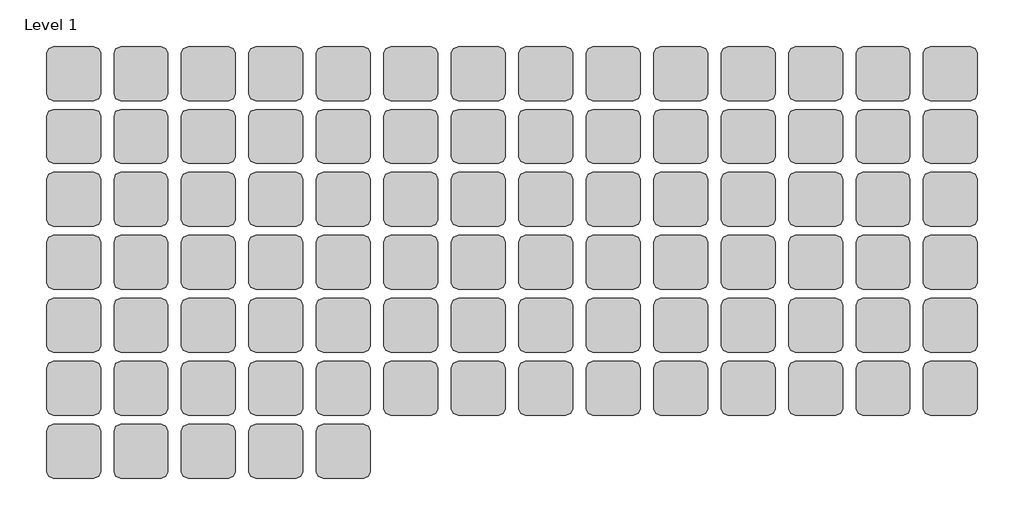
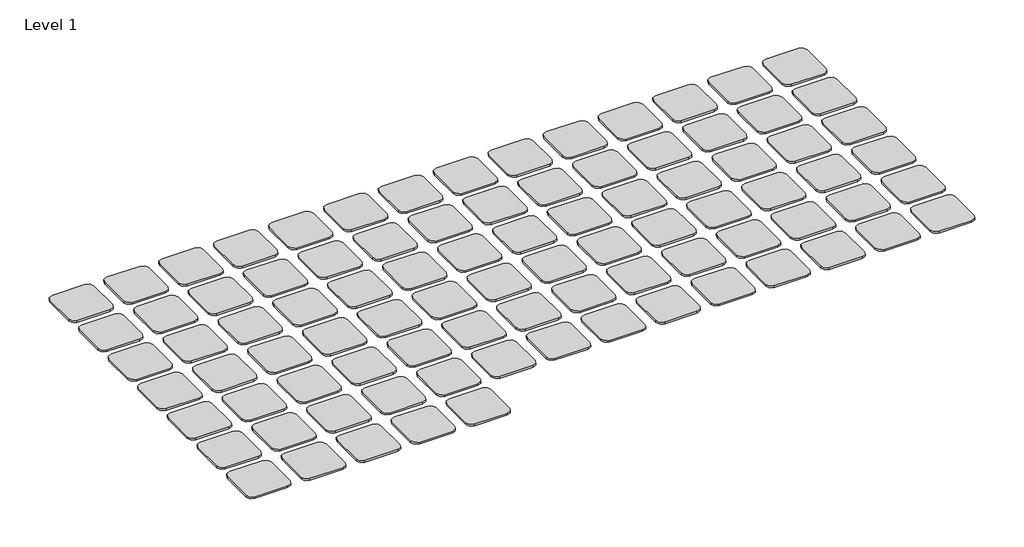
# One storey: 89 proxies.
"""IFC4 building model written with IfcOpenShell, lengths in millimetres."""

import ifcopenshell
import ifcopenshell.guid

model = None  # the IFC model being written
_history = None  # IfcOwnerHistory: only IFC2X3 demands one
_inside = {}  # id of a spatial element -> (the spatial element, [elements in it])
_under = {}  # id of a project, library or spatial element -> (it, [spatial elements below it])
_declared = {}  # id of a project -> (the project, [libraries it declares])
_typed = {}  # id of a type object -> (the type object, [elements of that type])
_made_of = {}  # id of a material, layer set ... -> (it, [elements and type objects made of it])


def new_model(schema):
    """Start an empty IFC model of exactly this schema.

    Asked for "IFC4X3", IfcOpenShell would pick the latest addendum, in which some entities
    have other attributes; the version numbers below select the first issue.
    IFC2X3 requires an IfcOwnerHistory on every rooted entity: one is made here for all.
    """
    global model, _history
    if schema == "IFC4X3":
        model = ifcopenshell.file(schema_version=(4, 3, 0, 0))
    else:
        model = ifcopenshell.file(schema=schema)
    _inside.clear()
    _under.clear()
    _declared.clear()
    _typed.clear()
    _made_of.clear()
    _history = None
    if model.schema == "IFC2X3":
        org = make("IfcOrganization", Name="unknown")
        user = make(
            "IfcPersonAndOrganization",
            ThePerson=make("IfcPerson", FamilyName="unknown"),
            TheOrganization=org,
        )
        app = make(
            "IfcApplication",
            ApplicationDeveloper=org,
            Version="unknown",
            ApplicationFullName="unknown",
            ApplicationIdentifier="unknown",
        )
        _history = make(
            "IfcOwnerHistory",
            OwningUser=user,
            OwningApplication=app,
            ChangeAction="ADDED",
            CreationDate=0,
        )
    return model


def make(cls, **values):
    """One entity of the class cls with the attributes given. An attribute that is None is left unset."""
    return model.create_entity(
        cls, **{name: value for name, value in values.items() if value is not None}
    )


def rooted(cls, **values):
    """An entity with a GlobalId (a new one), such as an element, a storey or a relation."""
    return make(cls, GlobalId=ifcopenshell.guid.new(), OwnerHistory=_history, **values)


def si_unit(unit_type, name, prefix=None):
    """IfcSIUnit, for example si_unit("LENGTHUNIT", "METRE", prefix="MILLI")."""
    return make("IfcSIUnit", UnitType=unit_type, Prefix=prefix, Name=name)


def assignment(units):
    """IfcUnitAssignment: the units of a project."""
    return None if units is None else make("IfcUnitAssignment", Units=units)


def point(xyz):
    """IfcCartesianPoint."""
    return None if xyz is None else make("IfcCartesianPoint", Coordinates=xyz)


def direction(xyz):
    """IfcDirection."""
    return None if xyz is None else make("IfcDirection", DirectionRatios=xyz)


def frame(location, z_axis=None, x_axis=None):
    """IfcAxis2Placement3D, a coordinate frame: its origin and axes. An axis left out is left unset."""
    return make(
        "IfcAxis2Placement3D",
        Location=point(location),
        Axis=direction(z_axis),
        RefDirection=direction(x_axis),
    )


def frame_2d(location, x_axis=None):
    """IfcAxis2Placement2D, a coordinate frame in the plane: its origin and x axis."""
    return make(
        "IfcAxis2Placement2D", Location=point(location), RefDirection=direction(x_axis)
    )


def origin():
    """The frame at (0, 0, 0) with its axes left unset."""
    return frame((0.0, 0.0, 0.0))


def origin_with_axes():
    """The frame at (0, 0, 0) with the z axis (0, 0, 1) and the x axis (1, 0, 0) written out."""
    return frame((0.0, 0.0, 0.0), z_axis=(0.0, 0.0, 1.0), x_axis=(1.0, 0.0, 0.0))


def place(relative_to, where):
    """IfcLocalPlacement: puts the frame where relative to a parent placement (None: the world)."""
    return make(
        "IfcLocalPlacement", PlacementRelTo=relative_to, RelativePlacement=where
    )


def context(
    kind, dimensions, precision=None, world=None, true_north=None, identifier=None
):
    """IfcGeometricRepresentationContext, for example the 3D "Model" context."""
    return make(
        "IfcGeometricRepresentationContext",
        ContextIdentifier=identifier,
        ContextType=kind,
        CoordinateSpaceDimension=dimensions,
        Precision=precision,
        WorldCoordinateSystem=world,
        TrueNorth=true_north,
    )


def project(units=None, contexts=None):
    """IfcProject with its units and contexts."""
    return rooted(
        "IfcProject",
        Name="project",
        RepresentationContexts=contexts,
        UnitsInContext=assignment(units),
    )


def spatial(cls, under=None, at=None, **own):
    """A site, building, storey or space (cls), placed at a placement, below another one or the project."""
    s = rooted(cls, ObjectPlacement=at, **own)
    if under is not None:
        _under.setdefault(under.id(), (under, []))[1].append(s)
    return s


def polyline(points):
    """IfcPolyline through the points."""
    return make("IfcPolyline", Points=[point(p) for p in points])


def circle_curve(where, radius):
    """IfcCircle in the frame where."""
    return make("IfcCircle", Position=where, Radius=radius)


def trimmed(basis, trim1, trim2, sense, master):
    """IfcTrimmedCurve: the piece of a basis curve between two trims."""
    return make(
        "IfcTrimmedCurve",
        BasisCurve=basis,
        Trim1=trim1,
        Trim2=trim2,
        SenseAgreement=sense,
        MasterRepresentation=master,
    )


def segment(curve, same_sense, transition):
    """IfcCompositeCurveSegment."""
    return make(
        "IfcCompositeCurveSegment",
        Transition=transition,
        SameSense=same_sense,
        ParentCurve=curve,
    )


def composite_curve(segments, self_intersect=None):
    """IfcCompositeCurve: segments joined end to end."""
    return make("IfcCompositeCurve", Segments=segments, SelfIntersect=self_intersect)


def outline(outer, holes=None, kind="AREA"):
    """IfcArbitraryClosedProfileDef: a profile drawn as a closed curve; with holes, ...WithVoids."""
    if holes is None:
        return make("IfcArbitraryClosedProfileDef", ProfileType=kind, OuterCurve=outer)
    return make(
        "IfcArbitraryProfileDefWithVoids",
        ProfileType=kind,
        OuterCurve=outer,
        InnerCurves=holes,
    )


def extrude(swept, where, along, depth):
    """IfcExtrudedAreaSolid: the profile swept, set in the frame where, extruded along a direction by depth."""
    return make(
        "IfcExtrudedAreaSolid",
        SweptArea=swept,
        Position=where,
        ExtrudedDirection=direction(along),
        Depth=depth,
    )


def shape(context_of_items, identifier, shape_type, items):
    """IfcShapeRepresentation: the items that make up one representation, for example the "Body"."""
    return make(
        "IfcShapeRepresentation",
        ContextOfItems=context_of_items,
        RepresentationIdentifier=identifier,
        RepresentationType=shape_type,
        Items=items,
    )


def source(mapping_origin, context_of_items, identifier, shape_type, items):
    """IfcRepresentationMap: a shape defined once, which mapped items show again and again."""
    return make(
        "IfcRepresentationMap",
        MappingOrigin=mapping_origin,
        MappedRepresentation=shape(context_of_items, identifier, shape_type, items),
    )


def transform(
    local_origin,
    x_axis=None,
    y_axis=None,
    z_axis=None,
    scale=None,
    scale2=None,
    scale3=None,
    uniform=True,
):
    """IfcCartesianTransformationOperator3D, or its non-uniform kind. x_axis, y_axis, z_axis: its Axis1, 2, 3."""
    if uniform:
        return make(
            "IfcCartesianTransformationOperator3D",
            Axis1=direction(x_axis),
            Axis2=direction(y_axis),
            LocalOrigin=point(local_origin),
            Scale=scale,
            Axis3=direction(z_axis),
        )
    return make(
        "IfcCartesianTransformationOperator3DnonUniform",
        Axis1=direction(x_axis),
        Axis2=direction(y_axis),
        LocalOrigin=point(local_origin),
        Scale=scale,
        Axis3=direction(z_axis),
        Scale2=scale2,
        Scale3=scale3,
    )


def mapped(mapping_source, mapping_target):
    """IfcMappedItem: shows the shape of a source again, moved by a transform."""
    return make(
        "IfcMappedItem", MappingSource=mapping_source, MappingTarget=mapping_target
    )


def made_of(thing, what):
    """Note that an element or type object is made of a material, layer set ...; save() writes the relation."""
    if what is not None:
        _made_of.setdefault(what.id(), (what, []))[1].append(thing)
    return thing


def element(
    cls,
    number,
    at=None,
    inside=None,
    cuts=None,
    type_object=None,
    material=None,
    context=None,
    identifier="Body",
    shape_type=None,
    held_by="IfcProductDefinitionShape",
    body=None,
    shapes=None,
    **own,
):
    """One element of the class cls, such as IfcWall. Its Tag is "e" and its number.

    at: its placement. inside: the storey or other place that contains it. cuts: it is an
    opening in that element (IfcRelVoidsElement). A single representation is given by context,
    identifier, shape_type and body (its items); several are given by shapes. held_by: the class
    of the entity that holds the representations. save() writes the other relations.
    """
    e = rooted(cls, Tag="e%d" % number, ObjectPlacement=at, **own)
    if body is not None:
        shapes = [shape(context, identifier, shape_type, body)]
    if shapes is not None:
        e.Representation = make(held_by, Representations=shapes)
    if inside is not None:
        _inside.setdefault(inside.id(), (inside, []))[1].append(e)
    if cuts is not None:
        rooted(
            "IfcRelVoidsElement", RelatingBuildingElement=cuts, RelatedOpeningElement=e
        )
    if type_object is not None:
        _typed.setdefault(type_object.id(), (type_object, []))[1].append(e)
    return made_of(e, material)


def aggregate(whole, parts):
    """IfcRelAggregates: a whole, such as a stair, and the parts it consists of."""
    return rooted("IfcRelAggregates", RelatingObject=whole, RelatedObjects=parts)


def save(model, path):
    """Write the relations noted so far, then the file.

    IfcRelAggregates (storeys below a building ...), IfcRelContainedInSpatialStructure (elements
    in a storey), IfcRelDefinesByType, IfcRelAssociatesMaterial and IfcRelDeclares: one each for
    every whole, place, type object, material and project.
    """
    for whole, parts in _under.values():
        aggregate(whole, parts)
    for where, things in _inside.values():
        rooted(
            "IfcRelContainedInSpatialStructure",
            RelatedElements=things,
            RelatingStructure=where,
        )
    for kind, things in _typed.values():
        rooted("IfcRelDefinesByType", RelatedObjects=things, RelatingType=kind)
    for what, things in _made_of.values():
        rooted("IfcRelAssociatesMaterial", RelatedObjects=things, RelatingMaterial=what)
    for by, libraries in _declared.values():
        rooted("IfcRelDeclares", RelatingContext=by, RelatedDefinitions=libraries)
    model.write(path)


def materialsample_type_1_9638d12c(model_context):
    return source(origin(), model_context, "Body", "SweptSolid", [
        extrude(outline(composite_curve([segment(polyline([(533.4, 0.0), (76.2, 0.0)]), True, "CONTINUOUS"), segment(trimmed(circle_curve(frame_2d((76.2, 76.2)), 76.2), [point((76.2, 0.0))], [point((0.0, 76.2))], False, "CARTESIAN"), True, "CONTINUOUS"), segment(polyline([(0.0, 76.2), (0.0, 533.4)]), True, "CONTINUOUS"), segment(trimmed(circle_curve(frame_2d((76.2, 533.4)), 76.2), [point((0.0, 533.4))], [point((76.2, 609.6))], False, "CARTESIAN"), True, "CONTINUOUS"), segment(polyline([(76.2, 609.6), (533.4, 609.6)]), True, "CONTINUOUS"), segment(trimmed(circle_curve(frame_2d((533.4, 533.4)), 76.2), [point((533.4, 609.6))], [point((609.6, 533.4))], False, "CARTESIAN"), True, "CONTINUOUS"), segment(polyline([(609.6, 533.4), (609.6, 76.2)]), True, "CONTINUOUS"), segment(trimmed(circle_curve(frame_2d((533.4, 76.2)), 76.2), [point((609.6, 76.2))], [point((533.4, 0.0))], False, "CARTESIAN"), True, "CONTINUOUS")], self_intersect=False)), origin_with_axes(), (0.0, 0.0, 1.0), 25.4),
    ])


model = new_model("IFC4")

# Units and contexts
model_context = context("Model", 3, world=origin())
ifc_project = project(units=[si_unit("LENGTHUNIT", "METRE", prefix="MILLI")], contexts=[model_context])

# Site, building, storey
site = spatial("IfcSite", under=ifc_project)
building = spatial("IfcBuilding", under=site)
storey = spatial("IfcBuildingStorey", under=building, Name="Level 1", Elevation=0.0)

# Proxies
placement = place(None, origin())
materialsample_type_1_shape = materialsample_type_1_9638d12c(model_context)
element("IfcBuildingElementProxy", 1, Name="MaterialSample : Type 1", ObjectType="MaterialSample : Type 1", at=placement, inside=storey, context=model_context, shape_type="MappedRepresentation", body=[
    mapped(materialsample_type_1_shape, transform((-1539.5037489, 9819.851216, 0.0), x_axis=(1.0, 0.0, 0.0), y_axis=(0.0, 1.0, 0.0), z_axis=(0.0, 0.0, 1.0))),
])
element("IfcBuildingElementProxy", 2, Name="MaterialSample : Type 1", ObjectType="MaterialSample : Type 1", at=placement, inside=storey, context=model_context, shape_type="MappedRepresentation", body=[
    mapped(materialsample_type_1_shape, transform((-777.5037489, 9819.851216, 0.0), x_axis=(1.0, 0.0, 0.0), y_axis=(0.0, 1.0, 0.0), z_axis=(0.0, 0.0, 1.0))),
])
element("IfcBuildingElementProxy", 3, Name="MaterialSample : Type 1", ObjectType="MaterialSample : Type 1", at=placement, inside=storey, context=model_context, shape_type="MappedRepresentation", body=[
    mapped(materialsample_type_1_shape, transform((-15.5037489, 9819.851216, 0.0), x_axis=(1.0, 0.0, 0.0), y_axis=(0.0, 1.0, 0.0), z_axis=(0.0, 0.0, 1.0))),
])
element("IfcBuildingElementProxy", 4, Name="MaterialSample : Type 1", ObjectType="MaterialSample : Type 1", at=placement, inside=storey, context=model_context, shape_type="MappedRepresentation", body=[
    mapped(materialsample_type_1_shape, transform((746.4962511, 9819.851216, 0.0), x_axis=(1.0, 0.0, 0.0), y_axis=(0.0, 1.0, 0.0), z_axis=(0.0, 0.0, 1.0))),
])
element("IfcBuildingElementProxy", 5, Name="MaterialSample : Type 1", ObjectType="MaterialSample : Type 1", at=placement, inside=storey, context=model_context, shape_type="MappedRepresentation", body=[
    mapped(materialsample_type_1_shape, transform((1508.4962511, 9819.851216, 0.0), x_axis=(1.0, 0.0, 0.0), y_axis=(0.0, 1.0, 0.0), z_axis=(0.0, 0.0, 1.0))),
])
element("IfcBuildingElementProxy", 6, Name="MaterialSample : Type 1", ObjectType="MaterialSample : Type 1", at=placement, inside=storey, context=model_context, shape_type="MappedRepresentation", body=[
    mapped(materialsample_type_1_shape, transform((2270.4962511, 9819.851216, 0.0), x_axis=(1.0, 0.0, 0.0), y_axis=(0.0, 1.0, 0.0), z_axis=(0.0, 0.0, 1.0))),
])
element("IfcBuildingElementProxy", 7, Name="MaterialSample : Type 1", ObjectType="MaterialSample : Type 1", at=placement, inside=storey, context=model_context, shape_type="MappedRepresentation", body=[
    mapped(materialsample_type_1_shape, transform((3032.4962511, 9819.851216, 0.0), x_axis=(1.0, 0.0, 0.0), y_axis=(0.0, 1.0, 0.0), z_axis=(0.0, 0.0, 1.0))),
])
element("IfcBuildingElementProxy", 8, Name="MaterialSample : Type 1", ObjectType="MaterialSample : Type 1", at=placement, inside=storey, context=model_context, shape_type="MappedRepresentation", body=[
    mapped(materialsample_type_1_shape, transform((3794.4962511, 9819.851216, 0.0), x_axis=(1.0, 0.0, 0.0), y_axis=(0.0, 1.0, 0.0), z_axis=(0.0, 0.0, 1.0))),
])
element("IfcBuildingElementProxy", 9, Name="MaterialSample : Type 1", ObjectType="MaterialSample : Type 1", at=placement, inside=storey, context=model_context, shape_type="MappedRepresentation", body=[
    mapped(materialsample_type_1_shape, transform((4556.4962511, 9819.851216, 0.0), x_axis=(1.0, 0.0, 0.0), y_axis=(0.0, 1.0, 0.0), z_axis=(0.0, 0.0, 1.0))),
])
element("IfcBuildingElementProxy", 10, Name="MaterialSample : Type 1", ObjectType="MaterialSample : Type 1", at=placement, inside=storey, context=model_context, shape_type="MappedRepresentation", body=[
    mapped(materialsample_type_1_shape, transform((5318.4962511, 9819.851216, 0.0), x_axis=(1.0, 0.0, 0.0), y_axis=(0.0, 1.0, 0.0), z_axis=(0.0, 0.0, 1.0))),
])
element("IfcBuildingElementProxy", 11, Name="MaterialSample : Type 1", ObjectType="MaterialSample : Type 1", at=placement, inside=storey, context=model_context, shape_type="MappedRepresentation", body=[
    mapped(materialsample_type_1_shape, transform((6080.4962511, 9819.851216, 0.0), x_axis=(1.0, 0.0, 0.0), y_axis=(0.0, 1.0, 0.0), z_axis=(0.0, 0.0, 1.0))),
])
element("IfcBuildingElementProxy", 12, Name="MaterialSample : Type 1", ObjectType="MaterialSample : Type 1", at=placement, inside=storey, context=model_context, shape_type="MappedRepresentation", body=[
    mapped(materialsample_type_1_shape, transform((6842.4962511, 9819.851216, 0.0), x_axis=(1.0, 0.0, 0.0), y_axis=(0.0, 1.0, 0.0), z_axis=(0.0, 0.0, 1.0))),
])
element("IfcBuildingElementProxy", 13, Name="MaterialSample : Type 1", ObjectType="MaterialSample : Type 1", at=placement, inside=storey, context=model_context, shape_type="MappedRepresentation", body=[
    mapped(materialsample_type_1_shape, transform((7604.4962511, 9819.851216, 0.0), x_axis=(1.0, 0.0, 0.0), y_axis=(0.0, 1.0, 0.0), z_axis=(0.0, 0.0, 1.0))),
])
element("IfcBuildingElementProxy", 14, Name="MaterialSample : Type 1", ObjectType="MaterialSample : Type 1", at=placement, inside=storey, context=model_context, shape_type="MappedRepresentation", body=[
    mapped(materialsample_type_1_shape, transform((8366.4962511, 9819.851216, 0.0), x_axis=(1.0, 0.0, 0.0), y_axis=(0.0, 1.0, 0.0), z_axis=(0.0, 0.0, 1.0))),
])
element("IfcBuildingElementProxy", 15, Name="MaterialSample : Type 1", ObjectType="MaterialSample : Type 1", at=placement, inside=storey, context=model_context, shape_type="MappedRepresentation", body=[
    mapped(materialsample_type_1_shape, transform((-1539.5037489, 5552.651216, 0.0), x_axis=(1.0, 0.0, 0.0), y_axis=(0.0, 1.0, 0.0), z_axis=(0.0, 0.0, 1.0))),
])
element("IfcBuildingElementProxy", 16, Name="MaterialSample : Type 1", ObjectType="MaterialSample : Type 1", at=placement, inside=storey, context=model_context, shape_type="MappedRepresentation", body=[
    mapped(materialsample_type_1_shape, transform((-1539.5037489, 9108.651216, 0.0), x_axis=(1.0, 0.0, 0.0), y_axis=(0.0, 1.0, 0.0), z_axis=(0.0, 0.0, 1.0))),
])
element("IfcBuildingElementProxy", 17, Name="MaterialSample : Type 1", ObjectType="MaterialSample : Type 1", at=placement, inside=storey, context=model_context, shape_type="MappedRepresentation", body=[
    mapped(materialsample_type_1_shape, transform((-777.5037489, 9108.651216, 0.0), x_axis=(1.0, 0.0, 0.0), y_axis=(0.0, 1.0, 0.0), z_axis=(0.0, 0.0, 1.0))),
])
element("IfcBuildingElementProxy", 18, Name="MaterialSample : Type 1", ObjectType="MaterialSample : Type 1", at=placement, inside=storey, context=model_context, shape_type="MappedRepresentation", body=[
    mapped(materialsample_type_1_shape, transform((-15.5037489, 9108.651216, 0.0), x_axis=(1.0, 0.0, 0.0), y_axis=(0.0, 1.0, 0.0), z_axis=(0.0, 0.0, 1.0))),
])
element("IfcBuildingElementProxy", 19, Name="MaterialSample : Type 1", ObjectType="MaterialSample : Type 1", at=placement, inside=storey, context=model_context, shape_type="MappedRepresentation", body=[
    mapped(materialsample_type_1_shape, transform((746.4962511, 9108.651216, 0.0), x_axis=(1.0, 0.0, 0.0), y_axis=(0.0, 1.0, 0.0), z_axis=(0.0, 0.0, 1.0))),
])
element("IfcBuildingElementProxy", 20, Name="MaterialSample : Type 1", ObjectType="MaterialSample : Type 1", at=placement, inside=storey, context=model_context, shape_type="MappedRepresentation", body=[
    mapped(materialsample_type_1_shape, transform((1508.4962511, 9108.651216, 0.0), x_axis=(1.0, 0.0, 0.0), y_axis=(0.0, 1.0, 0.0), z_axis=(0.0, 0.0, 1.0))),
])
element("IfcBuildingElementProxy", 21, Name="MaterialSample : Type 1", ObjectType="MaterialSample : Type 1", at=placement, inside=storey, context=model_context, shape_type="MappedRepresentation", body=[
    mapped(materialsample_type_1_shape, transform((2270.4962511, 9108.651216, 0.0), x_axis=(1.0, 0.0, 0.0), y_axis=(0.0, 1.0, 0.0), z_axis=(0.0, 0.0, 1.0))),
])
element("IfcBuildingElementProxy", 22, Name="MaterialSample : Type 1", ObjectType="MaterialSample : Type 1", at=placement, inside=storey, context=model_context, shape_type="MappedRepresentation", body=[
    mapped(materialsample_type_1_shape, transform((3032.4962511, 9108.651216, 0.0), x_axis=(1.0, 0.0, 0.0), y_axis=(0.0, 1.0, 0.0), z_axis=(0.0, 0.0, 1.0))),
])
element("IfcBuildingElementProxy", 23, Name="MaterialSample : Type 1", ObjectType="MaterialSample : Type 1", at=placement, inside=storey, context=model_context, shape_type="MappedRepresentation", body=[
    mapped(materialsample_type_1_shape, transform((3794.4962511, 9108.651216, 0.0), x_axis=(1.0, 0.0, 0.0), y_axis=(0.0, 1.0, 0.0), z_axis=(0.0, 0.0, 1.0))),
])
element("IfcBuildingElementProxy", 24, Name="MaterialSample : Type 1", ObjectType="MaterialSample : Type 1", at=placement, inside=storey, context=model_context, shape_type="MappedRepresentation", body=[
    mapped(materialsample_type_1_shape, transform((4556.4962511, 9108.651216, 0.0), x_axis=(1.0, 0.0, 0.0), y_axis=(0.0, 1.0, 0.0), z_axis=(0.0, 0.0, 1.0))),
])
element("IfcBuildingElementProxy", 25, Name="MaterialSample : Type 1", ObjectType="MaterialSample : Type 1", at=placement, inside=storey, context=model_context, shape_type="MappedRepresentation", body=[
    mapped(materialsample_type_1_shape, transform((5318.4962511, 9108.651216, 0.0), x_axis=(1.0, 0.0, 0.0), y_axis=(0.0, 1.0, 0.0), z_axis=(0.0, 0.0, 1.0))),
])
element("IfcBuildingElementProxy", 26, Name="MaterialSample : Type 1", ObjectType="MaterialSample : Type 1", at=placement, inside=storey, context=model_context, shape_type="MappedRepresentation", body=[
    mapped(materialsample_type_1_shape, transform((6080.4962511, 9108.651216, 0.0), x_axis=(1.0, 0.0, 0.0), y_axis=(0.0, 1.0, 0.0), z_axis=(0.0, 0.0, 1.0))),
])
element("IfcBuildingElementProxy", 27, Name="MaterialSample : Type 1", ObjectType="MaterialSample : Type 1", at=placement, inside=storey, context=model_context, shape_type="MappedRepresentation", body=[
    mapped(materialsample_type_1_shape, transform((6842.4962511, 9108.651216, 0.0), x_axis=(1.0, 0.0, 0.0), y_axis=(0.0, 1.0, 0.0), z_axis=(0.0, 0.0, 1.0))),
])
element("IfcBuildingElementProxy", 28, Name="MaterialSample : Type 1", ObjectType="MaterialSample : Type 1", at=placement, inside=storey, context=model_context, shape_type="MappedRepresentation", body=[
    mapped(materialsample_type_1_shape, transform((7604.4962511, 9108.651216, 0.0), x_axis=(1.0, 0.0, 0.0), y_axis=(0.0, 1.0, 0.0), z_axis=(0.0, 0.0, 1.0))),
])
element("IfcBuildingElementProxy", 29, Name="MaterialSample : Type 1", ObjectType="MaterialSample : Type 1", at=placement, inside=storey, context=model_context, shape_type="MappedRepresentation", body=[
    mapped(materialsample_type_1_shape, transform((8366.4962511, 9108.651216, 0.0), x_axis=(1.0, 0.0, 0.0), y_axis=(0.0, 1.0, 0.0), z_axis=(0.0, 0.0, 1.0))),
])
element("IfcBuildingElementProxy", 30, Name="MaterialSample : Type 1", ObjectType="MaterialSample : Type 1", at=placement, inside=storey, context=model_context, shape_type="MappedRepresentation", body=[
    mapped(materialsample_type_1_shape, transform((-777.5037489, 5552.651216, 0.0), x_axis=(1.0, 0.0, 0.0), y_axis=(0.0, 1.0, 0.0), z_axis=(0.0, 0.0, 1.0))),
])
element("IfcBuildingElementProxy", 31, Name="MaterialSample : Type 1", ObjectType="MaterialSample : Type 1", at=placement, inside=storey, context=model_context, shape_type="MappedRepresentation", body=[
    mapped(materialsample_type_1_shape, transform((-1539.5037489, 8397.451216, 0.0), x_axis=(1.0, 0.0, 0.0), y_axis=(0.0, 1.0, 0.0), z_axis=(0.0, 0.0, 1.0))),
])
element("IfcBuildingElementProxy", 32, Name="MaterialSample : Type 1", ObjectType="MaterialSample : Type 1", at=placement, inside=storey, context=model_context, shape_type="MappedRepresentation", body=[
    mapped(materialsample_type_1_shape, transform((-777.5037489, 8397.451216, 0.0), x_axis=(1.0, 0.0, 0.0), y_axis=(0.0, 1.0, 0.0), z_axis=(0.0, 0.0, 1.0))),
])
element("IfcBuildingElementProxy", 33, Name="MaterialSample : Type 1", ObjectType="MaterialSample : Type 1", at=placement, inside=storey, context=model_context, shape_type="MappedRepresentation", body=[
    mapped(materialsample_type_1_shape, transform((-15.5037489, 8397.451216, 0.0), x_axis=(1.0, 0.0, 0.0), y_axis=(0.0, 1.0, 0.0), z_axis=(0.0, 0.0, 1.0))),
])
element("IfcBuildingElementProxy", 34, Name="MaterialSample : Type 1", ObjectType="MaterialSample : Type 1", at=placement, inside=storey, context=model_context, shape_type="MappedRepresentation", body=[
    mapped(materialsample_type_1_shape, transform((746.4962511, 8397.451216, 0.0), x_axis=(1.0, 0.0, 0.0), y_axis=(0.0, 1.0, 0.0), z_axis=(0.0, 0.0, 1.0))),
])
element("IfcBuildingElementProxy", 35, Name="MaterialSample : Type 1", ObjectType="MaterialSample : Type 1", at=placement, inside=storey, context=model_context, shape_type="MappedRepresentation", body=[
    mapped(materialsample_type_1_shape, transform((1508.4962511, 8397.451216, 0.0), x_axis=(1.0, 0.0, 0.0), y_axis=(0.0, 1.0, 0.0), z_axis=(0.0, 0.0, 1.0))),
])
element("IfcBuildingElementProxy", 36, Name="MaterialSample : Type 1", ObjectType="MaterialSample : Type 1", at=placement, inside=storey, context=model_context, shape_type="MappedRepresentation", body=[
    mapped(materialsample_type_1_shape, transform((2270.4962511, 8397.451216, 0.0), x_axis=(1.0, 0.0, 0.0), y_axis=(0.0, 1.0, 0.0), z_axis=(0.0, 0.0, 1.0))),
])
element("IfcBuildingElementProxy", 37, Name="MaterialSample : Type 1", ObjectType="MaterialSample : Type 1", at=placement, inside=storey, context=model_context, shape_type="MappedRepresentation", body=[
    mapped(materialsample_type_1_shape, transform((3032.4962511, 8397.451216, 0.0), x_axis=(1.0, 0.0, 0.0), y_axis=(0.0, 1.0, 0.0), z_axis=(0.0, 0.0, 1.0))),
])
element("IfcBuildingElementProxy", 38, Name="MaterialSample : Type 1", ObjectType="MaterialSample : Type 1", at=placement, inside=storey, context=model_context, shape_type="MappedRepresentation", body=[
    mapped(materialsample_type_1_shape, transform((3794.4962511, 8397.451216, 0.0), x_axis=(1.0, 0.0, 0.0), y_axis=(0.0, 1.0, 0.0), z_axis=(0.0, 0.0, 1.0))),
])
element("IfcBuildingElementProxy", 39, Name="MaterialSample : Type 1", ObjectType="MaterialSample : Type 1", at=placement, inside=storey, context=model_context, shape_type="MappedRepresentation", body=[
    mapped(materialsample_type_1_shape, transform((4556.4962511, 8397.451216, 0.0), x_axis=(1.0, 0.0, 0.0), y_axis=(0.0, 1.0, 0.0), z_axis=(0.0, 0.0, 1.0))),
])
element("IfcBuildingElementProxy", 40, Name="MaterialSample : Type 1", ObjectType="MaterialSample : Type 1", at=placement, inside=storey, context=model_context, shape_type="MappedRepresentation", body=[
    mapped(materialsample_type_1_shape, transform((5318.4962511, 8397.451216, 0.0), x_axis=(1.0, 0.0, 0.0), y_axis=(0.0, 1.0, 0.0), z_axis=(0.0, 0.0, 1.0))),
])
element("IfcBuildingElementProxy", 41, Name="MaterialSample : Type 1", ObjectType="MaterialSample : Type 1", at=placement, inside=storey, context=model_context, shape_type="MappedRepresentation", body=[
    mapped(materialsample_type_1_shape, transform((6080.4962511, 8397.451216, 0.0), x_axis=(1.0, 0.0, 0.0), y_axis=(0.0, 1.0, 0.0), z_axis=(0.0, 0.0, 1.0))),
])
element("IfcBuildingElementProxy", 42, Name="MaterialSample : Type 1", ObjectType="MaterialSample : Type 1", at=placement, inside=storey, context=model_context, shape_type="MappedRepresentation", body=[
    mapped(materialsample_type_1_shape, transform((6842.4962511, 8397.451216, 0.0), x_axis=(1.0, 0.0, 0.0), y_axis=(0.0, 1.0, 0.0), z_axis=(0.0, 0.0, 1.0))),
])
element("IfcBuildingElementProxy", 43, Name="MaterialSample : Type 1", ObjectType="MaterialSample : Type 1", at=placement, inside=storey, context=model_context, shape_type="MappedRepresentation", body=[
    mapped(materialsample_type_1_shape, transform((7604.4962511, 8397.451216, 0.0), x_axis=(1.0, 0.0, 0.0), y_axis=(0.0, 1.0, 0.0), z_axis=(0.0, 0.0, 1.0))),
])
element("IfcBuildingElementProxy", 44, Name="MaterialSample : Type 1", ObjectType="MaterialSample : Type 1", at=placement, inside=storey, context=model_context, shape_type="MappedRepresentation", body=[
    mapped(materialsample_type_1_shape, transform((8366.4962511, 8397.451216, 0.0), x_axis=(1.0, 0.0, 0.0), y_axis=(0.0, 1.0, 0.0), z_axis=(0.0, 0.0, 1.0))),
])
element("IfcBuildingElementProxy", 45, Name="MaterialSample : Type 1", ObjectType="MaterialSample : Type 1", at=placement, inside=storey, context=model_context, shape_type="MappedRepresentation", body=[
    mapped(materialsample_type_1_shape, transform((-15.5037489, 5552.651216, 0.0), x_axis=(1.0, 0.0, 0.0), y_axis=(0.0, 1.0, 0.0), z_axis=(0.0, 0.0, 1.0))),
])
element("IfcBuildingElementProxy", 46, Name="MaterialSample : Type 1", ObjectType="MaterialSample : Type 1", at=placement, inside=storey, context=model_context, shape_type="MappedRepresentation", body=[
    mapped(materialsample_type_1_shape, transform((-1539.5037489, 7686.251216, 0.0), x_axis=(1.0, 0.0, 0.0), y_axis=(0.0, 1.0, 0.0), z_axis=(0.0, 0.0, 1.0))),
])
element("IfcBuildingElementProxy", 47, Name="MaterialSample : Type 1", ObjectType="MaterialSample : Type 1", at=placement, inside=storey, context=model_context, shape_type="MappedRepresentation", body=[
    mapped(materialsample_type_1_shape, transform((-777.5037489, 7686.251216, 0.0), x_axis=(1.0, 0.0, 0.0), y_axis=(0.0, 1.0, 0.0), z_axis=(0.0, 0.0, 1.0))),
])
element("IfcBuildingElementProxy", 48, Name="MaterialSample : Type 1", ObjectType="MaterialSample : Type 1", at=placement, inside=storey, context=model_context, shape_type="MappedRepresentation", body=[
    mapped(materialsample_type_1_shape, transform((-15.5037489, 7686.251216, 0.0), x_axis=(1.0, 0.0, 0.0), y_axis=(0.0, 1.0, 0.0), z_axis=(0.0, 0.0, 1.0))),
])
element("IfcBuildingElementProxy", 49, Name="MaterialSample : Type 1", ObjectType="MaterialSample : Type 1", at=placement, inside=storey, context=model_context, shape_type="MappedRepresentation", body=[
    mapped(materialsample_type_1_shape, transform((746.4962511, 7686.251216, 0.0), x_axis=(1.0, 0.0, 0.0), y_axis=(0.0, 1.0, 0.0), z_axis=(0.0, 0.0, 1.0))),
])
element("IfcBuildingElementProxy", 50, Name="MaterialSample : Type 1", ObjectType="MaterialSample : Type 1", at=placement, inside=storey, context=model_context, shape_type="MappedRepresentation", body=[
    mapped(materialsample_type_1_shape, transform((1508.4962511, 7686.251216, 0.0), x_axis=(1.0, 0.0, 0.0), y_axis=(0.0, 1.0, 0.0), z_axis=(0.0, 0.0, 1.0))),
])
element("IfcBuildingElementProxy", 51, Name="MaterialSample : Type 1", ObjectType="MaterialSample : Type 1", at=placement, inside=storey, context=model_context, shape_type="MappedRepresentation", body=[
    mapped(materialsample_type_1_shape, transform((2270.4962511, 7686.251216, 0.0), x_axis=(1.0, 0.0, 0.0), y_axis=(0.0, 1.0, 0.0), z_axis=(0.0, 0.0, 1.0))),
])
element("IfcBuildingElementProxy", 52, Name="MaterialSample : Type 1", ObjectType="MaterialSample : Type 1", at=placement, inside=storey, context=model_context, shape_type="MappedRepresentation", body=[
    mapped(materialsample_type_1_shape, transform((3032.4962511, 7686.251216, 0.0), x_axis=(1.0, 0.0, 0.0), y_axis=(0.0, 1.0, 0.0), z_axis=(0.0, 0.0, 1.0))),
])
element("IfcBuildingElementProxy", 53, Name="MaterialSample : Type 1", ObjectType="MaterialSample : Type 1", at=placement, inside=storey, context=model_context, shape_type="MappedRepresentation", body=[
    mapped(materialsample_type_1_shape, transform((3794.4962511, 7686.251216, 0.0), x_axis=(1.0, 0.0, 0.0), y_axis=(0.0, 1.0, 0.0), z_axis=(0.0, 0.0, 1.0))),
])
element("IfcBuildingElementProxy", 54, Name="MaterialSample : Type 1", ObjectType="MaterialSample : Type 1", at=placement, inside=storey, context=model_context, shape_type="MappedRepresentation", body=[
    mapped(materialsample_type_1_shape, transform((4556.4962511, 7686.251216, 0.0), x_axis=(1.0, 0.0, 0.0), y_axis=(0.0, 1.0, 0.0), z_axis=(0.0, 0.0, 1.0))),
])
element("IfcBuildingElementProxy", 55, Name="MaterialSample : Type 1", ObjectType="MaterialSample : Type 1", at=placement, inside=storey, context=model_context, shape_type="MappedRepresentation", body=[
    mapped(materialsample_type_1_shape, transform((5318.4962511, 7686.251216, 0.0), x_axis=(1.0, 0.0, 0.0), y_axis=(0.0, 1.0, 0.0), z_axis=(0.0, 0.0, 1.0))),
])
element("IfcBuildingElementProxy", 56, Name="MaterialSample : Type 1", ObjectType="MaterialSample : Type 1", at=placement, inside=storey, context=model_context, shape_type="MappedRepresentation", body=[
    mapped(materialsample_type_1_shape, transform((6080.4962511, 7686.251216, 0.0), x_axis=(1.0, 0.0, 0.0), y_axis=(0.0, 1.0, 0.0), z_axis=(0.0, 0.0, 1.0))),
])
element("IfcBuildingElementProxy", 57, Name="MaterialSample : Type 1", ObjectType="MaterialSample : Type 1", at=placement, inside=storey, context=model_context, shape_type="MappedRepresentation", body=[
    mapped(materialsample_type_1_shape, transform((6842.4962511, 7686.251216, 0.0), x_axis=(1.0, 0.0, 0.0), y_axis=(0.0, 1.0, 0.0), z_axis=(0.0, 0.0, 1.0))),
])
element("IfcBuildingElementProxy", 58, Name="MaterialSample : Type 1", ObjectType="MaterialSample : Type 1", at=placement, inside=storey, context=model_context, shape_type="MappedRepresentation", body=[
    mapped(materialsample_type_1_shape, transform((7604.4962511, 7686.251216, 0.0), x_axis=(1.0, 0.0, 0.0), y_axis=(0.0, 1.0, 0.0), z_axis=(0.0, 0.0, 1.0))),
])
element("IfcBuildingElementProxy", 59, Name="MaterialSample : Type 1", ObjectType="MaterialSample : Type 1", at=placement, inside=storey, context=model_context, shape_type="MappedRepresentation", body=[
    mapped(materialsample_type_1_shape, transform((8366.4962511, 7686.251216, 0.0), x_axis=(1.0, 0.0, 0.0), y_axis=(0.0, 1.0, 0.0), z_axis=(0.0, 0.0, 1.0))),
])
element("IfcBuildingElementProxy", 60, Name="MaterialSample : Type 1", ObjectType="MaterialSample : Type 1", at=placement, inside=storey, context=model_context, shape_type="MappedRepresentation", body=[
    mapped(materialsample_type_1_shape, transform((746.4962511, 5552.651216, 0.0), x_axis=(1.0, 0.0, 0.0), y_axis=(0.0, 1.0, 0.0), z_axis=(0.0, 0.0, 1.0))),
])
element("IfcBuildingElementProxy", 61, Name="MaterialSample : Type 1", ObjectType="MaterialSample : Type 1", at=placement, inside=storey, context=model_context, shape_type="MappedRepresentation", body=[
    mapped(materialsample_type_1_shape, transform((-1539.5037489, 6975.051216, 0.0), x_axis=(1.0, 0.0, 0.0), y_axis=(0.0, 1.0, 0.0), z_axis=(0.0, 0.0, 1.0))),
])
element("IfcBuildingElementProxy", 62, Name="MaterialSample : Type 1", ObjectType="MaterialSample : Type 1", at=placement, inside=storey, context=model_context, shape_type="MappedRepresentation", body=[
    mapped(materialsample_type_1_shape, transform((-777.5037489, 6975.051216, 0.0), x_axis=(1.0, 0.0, 0.0), y_axis=(0.0, 1.0, 0.0), z_axis=(0.0, 0.0, 1.0))),
])
element("IfcBuildingElementProxy", 63, Name="MaterialSample : Type 1", ObjectType="MaterialSample : Type 1", at=placement, inside=storey, context=model_context, shape_type="MappedRepresentation", body=[
    mapped(materialsample_type_1_shape, transform((-15.5037489, 6975.051216, 0.0), x_axis=(1.0, 0.0, 0.0), y_axis=(0.0, 1.0, 0.0), z_axis=(0.0, 0.0, 1.0))),
])
element("IfcBuildingElementProxy", 64, Name="MaterialSample : Type 1", ObjectType="MaterialSample : Type 1", at=placement, inside=storey, context=model_context, shape_type="MappedRepresentation", body=[
    mapped(materialsample_type_1_shape, transform((746.4962511, 6975.051216, 0.0), x_axis=(1.0, 0.0, 0.0), y_axis=(0.0, 1.0, 0.0), z_axis=(0.0, 0.0, 1.0))),
])
element("IfcBuildingElementProxy", 65, Name="MaterialSample : Type 1", ObjectType="MaterialSample : Type 1", at=placement, inside=storey, context=model_context, shape_type="MappedRepresentation", body=[
    mapped(materialsample_type_1_shape, transform((1508.4962511, 6975.051216, 0.0), x_axis=(1.0, 0.0, 0.0), y_axis=(0.0, 1.0, 0.0), z_axis=(0.0, 0.0, 1.0))),
])
element("IfcBuildingElementProxy", 66, Name="MaterialSample : Type 1", ObjectType="MaterialSample : Type 1", at=placement, inside=storey, context=model_context, shape_type="MappedRepresentation", body=[
    mapped(materialsample_type_1_shape, transform((2270.4962511, 6975.051216, 0.0), x_axis=(1.0, 0.0, 0.0), y_axis=(0.0, 1.0, 0.0), z_axis=(0.0, 0.0, 1.0))),
])
element("IfcBuildingElementProxy", 67, Name="MaterialSample : Type 1", ObjectType="MaterialSample : Type 1", at=placement, inside=storey, context=model_context, shape_type="MappedRepresentation", body=[
    mapped(materialsample_type_1_shape, transform((3032.4962511, 6975.051216, 0.0), x_axis=(1.0, 0.0, 0.0), y_axis=(0.0, 1.0, 0.0), z_axis=(0.0, 0.0, 1.0))),
])
element("IfcBuildingElementProxy", 68, Name="MaterialSample : Type 1", ObjectType="MaterialSample : Type 1", at=placement, inside=storey, context=model_context, shape_type="MappedRepresentation", body=[
    mapped(materialsample_type_1_shape, transform((3794.4962511, 6975.051216, 0.0), x_axis=(1.0, 0.0, 0.0), y_axis=(0.0, 1.0, 0.0), z_axis=(0.0, 0.0, 1.0))),
])
element("IfcBuildingElementProxy", 69, Name="MaterialSample : Type 1", ObjectType="MaterialSample : Type 1", at=placement, inside=storey, context=model_context, shape_type="MappedRepresentation", body=[
    mapped(materialsample_type_1_shape, transform((4556.4962511, 6975.051216, 0.0), x_axis=(1.0, 0.0, 0.0), y_axis=(0.0, 1.0, 0.0), z_axis=(0.0, 0.0, 1.0))),
])
element("IfcBuildingElementProxy", 70, Name="MaterialSample : Type 1", ObjectType="MaterialSample : Type 1", at=placement, inside=storey, context=model_context, shape_type="MappedRepresentation", body=[
    mapped(materialsample_type_1_shape, transform((5318.4962511, 6975.051216, 0.0), x_axis=(1.0, 0.0, 0.0), y_axis=(0.0, 1.0, 0.0), z_axis=(0.0, 0.0, 1.0))),
])
element("IfcBuildingElementProxy", 71, Name="MaterialSample : Type 1", ObjectType="MaterialSample : Type 1", at=placement, inside=storey, context=model_context, shape_type="MappedRepresentation", body=[
    mapped(materialsample_type_1_shape, transform((6080.4962511, 6975.051216, 0.0), x_axis=(1.0, 0.0, 0.0), y_axis=(0.0, 1.0, 0.0), z_axis=(0.0, 0.0, 1.0))),
])
element("IfcBuildingElementProxy", 72, Name="MaterialSample : Type 1", ObjectType="MaterialSample : Type 1", at=placement, inside=storey, context=model_context, shape_type="MappedRepresentation", body=[
    mapped(materialsample_type_1_shape, transform((6842.4962511, 6975.051216, 0.0), x_axis=(1.0, 0.0, 0.0), y_axis=(0.0, 1.0, 0.0), z_axis=(0.0, 0.0, 1.0))),
])
element("IfcBuildingElementProxy", 73, Name="MaterialSample : Type 1", ObjectType="MaterialSample : Type 1", at=placement, inside=storey, context=model_context, shape_type="MappedRepresentation", body=[
    mapped(materialsample_type_1_shape, transform((7604.4962511, 6975.051216, 0.0), x_axis=(1.0, 0.0, 0.0), y_axis=(0.0, 1.0, 0.0), z_axis=(0.0, 0.0, 1.0))),
])
element("IfcBuildingElementProxy", 74, Name="MaterialSample : Type 1", ObjectType="MaterialSample : Type 1", at=placement, inside=storey, context=model_context, shape_type="MappedRepresentation", body=[
    mapped(materialsample_type_1_shape, transform((8366.4962511, 6975.051216, 0.0), x_axis=(1.0, 0.0, 0.0), y_axis=(0.0, 1.0, 0.0), z_axis=(0.0, 0.0, 1.0))),
])
element("IfcBuildingElementProxy", 75, Name="MaterialSample : Type 1", ObjectType="MaterialSample : Type 1", at=placement, inside=storey, context=model_context, shape_type="MappedRepresentation", body=[
    mapped(materialsample_type_1_shape, transform((1508.4962511, 5552.651216, 0.0), x_axis=(1.0, 0.0, 0.0), y_axis=(0.0, 1.0, 0.0), z_axis=(0.0, 0.0, 1.0))),
])
element("IfcBuildingElementProxy", 76, Name="MaterialSample : Type 1", ObjectType="MaterialSample : Type 1", at=placement, inside=storey, context=model_context, shape_type="MappedRepresentation", body=[
    mapped(materialsample_type_1_shape, transform((-1539.5037489, 6263.851216, 0.0), x_axis=(1.0, 0.0, 0.0), y_axis=(0.0, 1.0, 0.0), z_axis=(0.0, 0.0, 1.0))),
])
element("IfcBuildingElementProxy", 77, Name="MaterialSample : Type 1", ObjectType="MaterialSample : Type 1", at=placement, inside=storey, context=model_context, shape_type="MappedRepresentation", body=[
    mapped(materialsample_type_1_shape, transform((-777.5037489, 6263.851216, 0.0), x_axis=(1.0, 0.0, 0.0), y_axis=(0.0, 1.0, 0.0), z_axis=(0.0, 0.0, 1.0))),
])
element("IfcBuildingElementProxy", 78, Name="MaterialSample : Type 1", ObjectType="MaterialSample : Type 1", at=placement, inside=storey, context=model_context, shape_type="MappedRepresentation", body=[
    mapped(materialsample_type_1_shape, transform((-15.5037489, 6263.851216, 0.0), x_axis=(1.0, 0.0, 0.0), y_axis=(0.0, 1.0, 0.0), z_axis=(0.0, 0.0, 1.0))),
])
element("IfcBuildingElementProxy", 79, Name="MaterialSample : Type 1", ObjectType="MaterialSample : Type 1", at=placement, inside=storey, context=model_context, shape_type="MappedRepresentation", body=[
    mapped(materialsample_type_1_shape, transform((746.4962511, 6263.851216, 0.0), x_axis=(1.0, 0.0, 0.0), y_axis=(0.0, 1.0, 0.0), z_axis=(0.0, 0.0, 1.0))),
])
element("IfcBuildingElementProxy", 80, Name="MaterialSample : Type 1", ObjectType="MaterialSample : Type 1", at=placement, inside=storey, context=model_context, shape_type="MappedRepresentation", body=[
    mapped(materialsample_type_1_shape, transform((1508.4962511, 6263.851216, 0.0), x_axis=(1.0, 0.0, 0.0), y_axis=(0.0, 1.0, 0.0), z_axis=(0.0, 0.0, 1.0))),
])
element("IfcBuildingElementProxy", 81, Name="MaterialSample : Type 1", ObjectType="MaterialSample : Type 1", at=placement, inside=storey, context=model_context, shape_type="MappedRepresentation", body=[
    mapped(materialsample_type_1_shape, transform((2270.4962511, 6263.851216, 0.0), x_axis=(1.0, 0.0, 0.0), y_axis=(0.0, 1.0, 0.0), z_axis=(0.0, 0.0, 1.0))),
])
element("IfcBuildingElementProxy", 82, Name="MaterialSample : Type 1", ObjectType="MaterialSample : Type 1", at=placement, inside=storey, context=model_context, shape_type="MappedRepresentation", body=[
    mapped(materialsample_type_1_shape, transform((3032.4962511, 6263.851216, 0.0), x_axis=(1.0, 0.0, 0.0), y_axis=(0.0, 1.0, 0.0), z_axis=(0.0, 0.0, 1.0))),
])
element("IfcBuildingElementProxy", 83, Name="MaterialSample : Type 1", ObjectType="MaterialSample : Type 1", at=placement, inside=storey, context=model_context, shape_type="MappedRepresentation", body=[
    mapped(materialsample_type_1_shape, transform((3794.4962511, 6263.851216, 0.0), x_axis=(1.0, 0.0, 0.0), y_axis=(0.0, 1.0, 0.0), z_axis=(0.0, 0.0, 1.0))),
])
element("IfcBuildingElementProxy", 84, Name="MaterialSample : Type 1", ObjectType="MaterialSample : Type 1", at=placement, inside=storey, context=model_context, shape_type="MappedRepresentation", body=[
    mapped(materialsample_type_1_shape, transform((4556.4962511, 6263.851216, 0.0), x_axis=(1.0, 0.0, 0.0), y_axis=(0.0, 1.0, 0.0), z_axis=(0.0, 0.0, 1.0))),
])
element("IfcBuildingElementProxy", 85, Name="MaterialSample : Type 1", ObjectType="MaterialSample : Type 1", at=placement, inside=storey, context=model_context, shape_type="MappedRepresentation", body=[
    mapped(materialsample_type_1_shape, transform((5318.4962511, 6263.851216, 0.0), x_axis=(1.0, 0.0, 0.0), y_axis=(0.0, 1.0, 0.0), z_axis=(0.0, 0.0, 1.0))),
])
element("IfcBuildingElementProxy", 86, Name="MaterialSample : Type 1", ObjectType="MaterialSample : Type 1", at=placement, inside=storey, context=model_context, shape_type="MappedRepresentation", body=[
    mapped(materialsample_type_1_shape, transform((6080.4962511, 6263.851216, 0.0), x_axis=(1.0, 0.0, 0.0), y_axis=(0.0, 1.0, 0.0), z_axis=(0.0, 0.0, 1.0))),
])
element("IfcBuildingElementProxy", 87, Name="MaterialSample : Type 1", ObjectType="MaterialSample : Type 1", at=placement, inside=storey, context=model_context, shape_type="MappedRepresentation", body=[
    mapped(materialsample_type_1_shape, transform((6842.4962511, 6263.851216, 0.0), x_axis=(1.0, 0.0, 0.0), y_axis=(0.0, 1.0, 0.0), z_axis=(0.0, 0.0, 1.0))),
])
element("IfcBuildingElementProxy", 88, Name="MaterialSample : Type 1", ObjectType="MaterialSample : Type 1", at=placement, inside=storey, context=model_context, shape_type="MappedRepresentation", body=[
    mapped(materialsample_type_1_shape, transform((7604.4962511, 6263.851216, 0.0), x_axis=(1.0, 0.0, 0.0), y_axis=(0.0, 1.0, 0.0), z_axis=(0.0, 0.0, 1.0))),
])
element("IfcBuildingElementProxy", 89, Name="MaterialSample : Type 1", ObjectType="MaterialSample : Type 1", at=placement, inside=storey, context=model_context, shape_type="MappedRepresentation", body=[
    mapped(materialsample_type_1_shape, transform((8366.4962511, 6263.851216, 0.0), x_axis=(1.0, 0.0, 0.0), y_axis=(0.0, 1.0, 0.0), z_axis=(0.0, 0.0, 1.0))),
])

save(model, "model.ifc")
